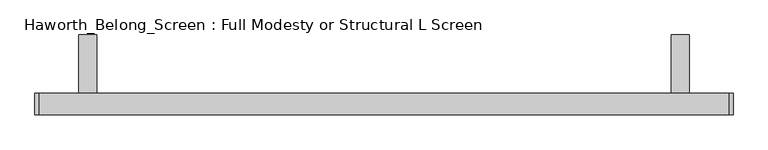
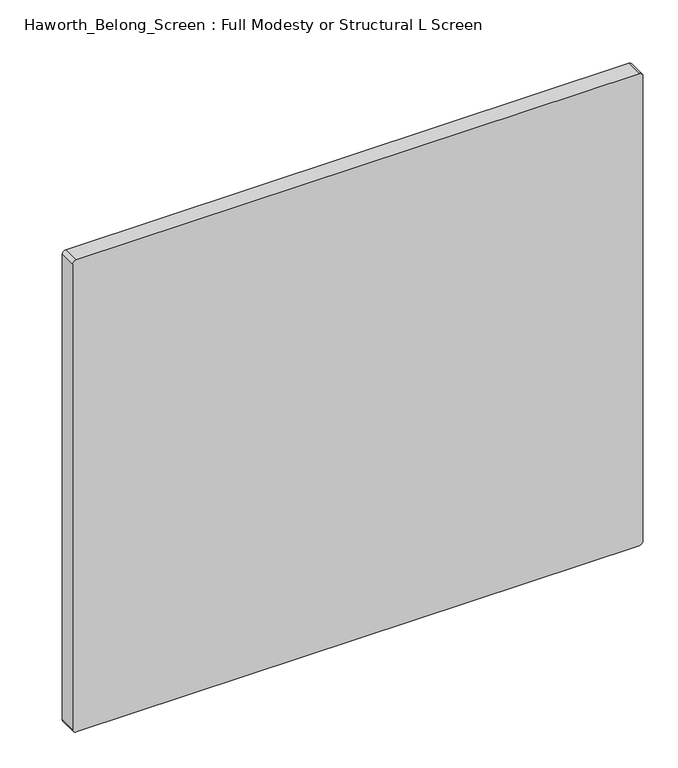
"""IFC4 building model written with IfcOpenShell, lengths in millimetres: furniture geometry, Haworth_Belong_Screen : Full Modesty or Structural L Screen."""

import ifcopenshell
import ifcopenshell.guid

model = None  # the IFC model being written
_history = None  # IfcOwnerHistory: only IFC2X3 demands one
_inside = {}  # id of a spatial element -> (the spatial element, [elements in it])
_under = {}  # id of a project, library or spatial element -> (it, [spatial elements below it])
_declared = {}  # id of a project -> (the project, [libraries it declares])
_typed = {}  # id of a type object -> (the type object, [elements of that type])
_made_of = {}  # id of a material, layer set ... -> (it, [elements and type objects made of it])


def new_model(schema):
    """Start an empty IFC model of exactly this schema.

    Asked for "IFC4X3", IfcOpenShell would pick the latest addendum, in which some entities
    have other attributes; the version numbers below select the first issue.
    IFC2X3 requires an IfcOwnerHistory on every rooted entity: one is made here for all.
    """
    global model, _history
    if schema == "IFC4X3":
        model = ifcopenshell.file(schema_version=(4, 3, 0, 0))
    else:
        model = ifcopenshell.file(schema=schema)
    _inside.clear()
    _under.clear()
    _declared.clear()
    _typed.clear()
    _made_of.clear()
    _history = None
    if model.schema == "IFC2X3":
        org = make("IfcOrganization", Name="unknown")
        user = make(
            "IfcPersonAndOrganization",
            ThePerson=make("IfcPerson", FamilyName="unknown"),
            TheOrganization=org,
        )
        app = make(
            "IfcApplication",
            ApplicationDeveloper=org,
            Version="unknown",
            ApplicationFullName="unknown",
            ApplicationIdentifier="unknown",
        )
        _history = make(
            "IfcOwnerHistory",
            OwningUser=user,
            OwningApplication=app,
            ChangeAction="ADDED",
            CreationDate=0,
        )
    return model


def make(cls, **values):
    """One entity of the class cls with the attributes given. An attribute that is None is left unset."""
    return model.create_entity(
        cls, **{name: value for name, value in values.items() if value is not None}
    )


def rooted(cls, **values):
    """An entity with a GlobalId (a new one), such as an element, a storey or a relation."""
    return make(cls, GlobalId=ifcopenshell.guid.new(), OwnerHistory=_history, **values)


def si_unit(unit_type, name, prefix=None):
    """IfcSIUnit, for example si_unit("LENGTHUNIT", "METRE", prefix="MILLI")."""
    return make("IfcSIUnit", UnitType=unit_type, Prefix=prefix, Name=name)


def assignment(units):
    """IfcUnitAssignment: the units of a project."""
    return None if units is None else make("IfcUnitAssignment", Units=units)


def point(xyz):
    """IfcCartesianPoint."""
    return None if xyz is None else make("IfcCartesianPoint", Coordinates=xyz)


def direction(xyz):
    """IfcDirection."""
    return None if xyz is None else make("IfcDirection", DirectionRatios=xyz)


def frame(location, z_axis=None, x_axis=None):
    """IfcAxis2Placement3D, a coordinate frame: its origin and axes. An axis left out is left unset."""
    return make(
        "IfcAxis2Placement3D",
        Location=point(location),
        Axis=direction(z_axis),
        RefDirection=direction(x_axis),
    )


def frame_2d(location, x_axis=None):
    """IfcAxis2Placement2D, a coordinate frame in the plane: its origin and x axis."""
    return make(
        "IfcAxis2Placement2D", Location=point(location), RefDirection=direction(x_axis)
    )


def origin():
    """The frame at (0, 0, 0) with its axes left unset."""
    return frame((0.0, 0.0, 0.0))


def place(relative_to, where):
    """IfcLocalPlacement: puts the frame where relative to a parent placement (None: the world)."""
    return make(
        "IfcLocalPlacement", PlacementRelTo=relative_to, RelativePlacement=where
    )


def context(
    kind, dimensions, precision=None, world=None, true_north=None, identifier=None
):
    """IfcGeometricRepresentationContext, for example the 3D "Model" context."""
    return make(
        "IfcGeometricRepresentationContext",
        ContextIdentifier=identifier,
        ContextType=kind,
        CoordinateSpaceDimension=dimensions,
        Precision=precision,
        WorldCoordinateSystem=world,
        TrueNorth=true_north,
    )


def project(units=None, contexts=None):
    """IfcProject with its units and contexts."""
    return rooted(
        "IfcProject",
        Name="project",
        RepresentationContexts=contexts,
        UnitsInContext=assignment(units),
    )


def spatial(cls, under=None, at=None, **own):
    """A site, building, storey or space (cls), placed at a placement, below another one or the project."""
    s = rooted(cls, ObjectPlacement=at, **own)
    if under is not None:
        _under.setdefault(under.id(), (under, []))[1].append(s)
    return s


def polyline(points):
    """IfcPolyline through the points."""
    return make("IfcPolyline", Points=[point(p) for p in points])


def circle_curve(where, radius):
    """IfcCircle in the frame where."""
    return make("IfcCircle", Position=where, Radius=radius)


def trimmed(basis, trim1, trim2, sense, master):
    """IfcTrimmedCurve: the piece of a basis curve between two trims."""
    return make(
        "IfcTrimmedCurve",
        BasisCurve=basis,
        Trim1=trim1,
        Trim2=trim2,
        SenseAgreement=sense,
        MasterRepresentation=master,
    )


def segment(curve, same_sense, transition):
    """IfcCompositeCurveSegment."""
    return make(
        "IfcCompositeCurveSegment",
        Transition=transition,
        SameSense=same_sense,
        ParentCurve=curve,
    )


def composite_curve(segments, self_intersect=None):
    """IfcCompositeCurve: segments joined end to end."""
    return make("IfcCompositeCurve", Segments=segments, SelfIntersect=self_intersect)


def outline(outer, holes=None, kind="AREA"):
    """IfcArbitraryClosedProfileDef: a profile drawn as a closed curve; with holes, ...WithVoids."""
    if holes is None:
        return make("IfcArbitraryClosedProfileDef", ProfileType=kind, OuterCurve=outer)
    return make(
        "IfcArbitraryProfileDefWithVoids",
        ProfileType=kind,
        OuterCurve=outer,
        InnerCurves=holes,
    )


def extrude(swept, where, along, depth):
    """IfcExtrudedAreaSolid: the profile swept, set in the frame where, extruded along a direction by depth."""
    return make(
        "IfcExtrudedAreaSolid",
        SweptArea=swept,
        Position=where,
        ExtrudedDirection=direction(along),
        Depth=depth,
    )


def shape(context_of_items, identifier, shape_type, items):
    """IfcShapeRepresentation: the items that make up one representation, for example the "Body"."""
    return make(
        "IfcShapeRepresentation",
        ContextOfItems=context_of_items,
        RepresentationIdentifier=identifier,
        RepresentationType=shape_type,
        Items=items,
    )


def source(mapping_origin, context_of_items, identifier, shape_type, items):
    """IfcRepresentationMap: a shape defined once, which mapped items show again and again."""
    return make(
        "IfcRepresentationMap",
        MappingOrigin=mapping_origin,
        MappedRepresentation=shape(context_of_items, identifier, shape_type, items),
    )


def transform(
    local_origin,
    x_axis=None,
    y_axis=None,
    z_axis=None,
    scale=None,
    scale2=None,
    scale3=None,
    uniform=True,
):
    """IfcCartesianTransformationOperator3D, or its non-uniform kind. x_axis, y_axis, z_axis: its Axis1, 2, 3."""
    if uniform:
        return make(
            "IfcCartesianTransformationOperator3D",
            Axis1=direction(x_axis),
            Axis2=direction(y_axis),
            LocalOrigin=point(local_origin),
            Scale=scale,
            Axis3=direction(z_axis),
        )
    return make(
        "IfcCartesianTransformationOperator3DnonUniform",
        Axis1=direction(x_axis),
        Axis2=direction(y_axis),
        LocalOrigin=point(local_origin),
        Scale=scale,
        Axis3=direction(z_axis),
        Scale2=scale2,
        Scale3=scale3,
    )


def mapped(mapping_source, mapping_target):
    """IfcMappedItem: shows the shape of a source again, moved by a transform."""
    return make(
        "IfcMappedItem", MappingSource=mapping_source, MappingTarget=mapping_target
    )


def made_of(thing, what):
    """Note that an element or type object is made of a material, layer set ...; save() writes the relation."""
    if what is not None:
        _made_of.setdefault(what.id(), (what, []))[1].append(thing)
    return thing


def element(
    cls,
    number,
    at=None,
    inside=None,
    cuts=None,
    type_object=None,
    material=None,
    context=None,
    identifier="Body",
    shape_type=None,
    held_by="IfcProductDefinitionShape",
    body=None,
    shapes=None,
    **own,
):
    """One element of the class cls, such as IfcWall. Its Tag is "e" and its number.

    at: its placement. inside: the storey or other place that contains it. cuts: it is an
    opening in that element (IfcRelVoidsElement). A single representation is given by context,
    identifier, shape_type and body (its items); several are given by shapes. held_by: the class
    of the entity that holds the representations. save() writes the other relations.
    """
    e = rooted(cls, Tag="e%d" % number, ObjectPlacement=at, **own)
    if body is not None:
        shapes = [shape(context, identifier, shape_type, body)]
    if shapes is not None:
        e.Representation = make(held_by, Representations=shapes)
    if inside is not None:
        _inside.setdefault(inside.id(), (inside, []))[1].append(e)
    if cuts is not None:
        rooted(
            "IfcRelVoidsElement", RelatingBuildingElement=cuts, RelatedOpeningElement=e
        )
    if type_object is not None:
        _typed.setdefault(type_object.id(), (type_object, []))[1].append(e)
    return made_of(e, material)


def aggregate(whole, parts):
    """IfcRelAggregates: a whole, such as a stair, and the parts it consists of."""
    return rooted("IfcRelAggregates", RelatingObject=whole, RelatedObjects=parts)


def save(model, path):
    """Write the relations noted so far, then the file.

    IfcRelAggregates (storeys below a building ...), IfcRelContainedInSpatialStructure (elements
    in a storey), IfcRelDefinesByType, IfcRelAssociatesMaterial and IfcRelDeclares: one each for
    every whole, place, type object, material and project.
    """
    for whole, parts in _under.values():
        aggregate(whole, parts)
    for where, things in _inside.values():
        rooted(
            "IfcRelContainedInSpatialStructure",
            RelatedElements=things,
            RelatingStructure=where,
        )
    for kind, things in _typed.values():
        rooted("IfcRelDefinesByType", RelatedObjects=things, RelatingType=kind)
    for what, things in _made_of.values():
        rooted("IfcRelAssociatesMaterial", RelatedObjects=things, RelatingMaterial=what)
    for by, libraries in _declared.values():
        rooted("IfcRelDeclares", RelatingContext=by, RelatedDefinitions=libraries)
    model.write(path)


def haworth_belong_screen_full_modesty_or_structural_l_screen_c8889149(model_context):
    return source(origin(), model_context, "Body", "SweptSolid", [
        extrude(outline(polyline([(19.05, 731.8375), (120.65, 731.8375), (120.65, 725.4875), (25.4, 725.4875), (25.4, 630.2375), (19.05, 630.2375), (19.05, 731.8375)])), frame((-566.0645436, 0.0, 0.0), z_axis=(1.0, 0.0, 0.0), x_axis=(0.0, 1.0, 0.0)), (0.0, 0.0, 1.0), 31.75),
        extrude(outline(polyline([(19.05, 731.8375), (120.65, 731.8375), (120.65, 725.4875), (25.4, 725.4875), (25.4, 630.2375), (19.05, 630.2375), (19.05, 731.8375)])), frame((468.9854564, 0.0, 0.0), z_axis=(1.0, 0.0, 0.0), x_axis=(0.0, 1.0, 0.0)), (0.0, 0.0, 1.0), 31.75),
        extrude(outline(composite_curve([segment(polyline([(1087.4375, 568.9979564), (1087.4375, -634.3270436)]), True, "CONTINUOUS"), segment(trimmed(circle_curve(frame_2d((1079.5, -634.3270436)), 7.9375), [point((1087.4375, -634.3270436))], [point((1079.5, -642.2645436))], False, "CARTESIAN"), True, "CONTINUOUS"), segment(polyline([(1079.5, -642.2645436), (28.575, -642.2645436)]), True, "CONTINUOUS"), segment(trimmed(circle_curve(frame_2d((28.575, -634.3270436)), 7.9375), [point((28.575, -642.2645436))], [point((20.6375, -634.3270436))], False, "CARTESIAN"), True, "CONTINUOUS"), segment(polyline([(20.6375, -634.3270436), (20.6375, 568.9979564)]), True, "CONTINUOUS"), segment(trimmed(circle_curve(frame_2d((28.575, 568.9979564)), 7.9375), [point((20.6375, 568.9979564))], [point((28.575, 576.9354564))], False, "CARTESIAN"), True, "CONTINUOUS"), segment(polyline([(28.575, 576.9354564), (1079.5, 576.9354564)]), True, "CONTINUOUS"), segment(trimmed(circle_curve(frame_2d((1079.5, 568.9979564)), 7.9375), [point((1079.5, 576.9354564))], [point((1087.4375, 568.9979564))], False, "CARTESIAN"), True, "CONTINUOUS")], self_intersect=False)), frame((0.0, -19.05, 0.0), z_axis=(0.0, 1.0, 0.0), x_axis=(0.0, 0.0, 1.0)), (0.0, 0.0, 1.0), 38.1),
    ])


if __name__ == "__main__":
    model = new_model("IFC4")
    model_context = context("Model", 3, world=origin())
    ifc_project = project(units=[si_unit("LENGTHUNIT", "METRE", prefix="MILLI")], contexts=[model_context])
    site = spatial("IfcSite", under=ifc_project)
    building = spatial("IfcBuilding", under=site)
    placement = place(None, origin())
    haworth_belong_screen_full_modesty_or_structural_l_screen_shape = haworth_belong_screen_full_modesty_or_structural_l_screen_c8889149(model_context)
    element("IfcFurniture", 1, ObjectType="Haworth_Belong_Screen : Full Modesty or Structural L Screen", at=placement, inside=building, context=model_context, shape_type="MappedRepresentation", body=[
        mapped(haworth_belong_screen_full_modesty_or_structural_l_screen_shape, transform((0.0, 0.0, 0.0), x_axis=(1.0, 0.0, 0.0), y_axis=(0.0, 1.0, 0.0), z_axis=(0.0, 0.0, 1.0))),
    ])
    save(model, "model.ifc")
